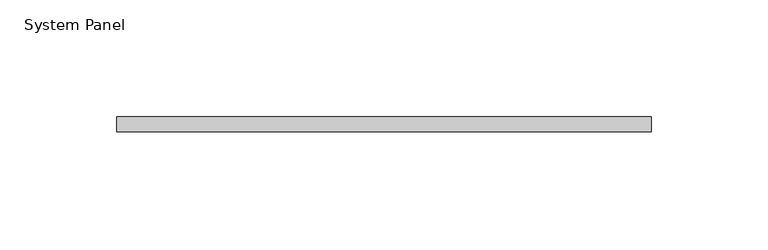
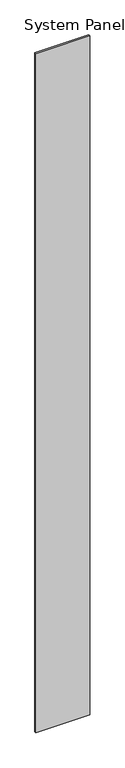
"""IFC4 building model written with IfcOpenShell, lengths in millimetres: plate geometry, System Panel."""

from ifc_helpers import new_model, si_unit, origin, origin_with_axes, place, context, project, spatial, polyline, outline, extrude, source, transform, mapped, element, save


def system_panel_629800e9(model_context):
    return source(origin(), model_context, "Body", "SweptSolid", [
        extrude(outline(polyline([(114.3, 0.0), (-114.3, 0.0), (-114.3, 6.35), (114.3, 6.35), (114.3, 0.0)])), origin_with_axes(), (0.0, 0.0, 1.0), 3048.0),
    ])


if __name__ == "__main__":
    model = new_model("IFC4")
    model_context = context("Model", 3, world=origin())
    ifc_project = project(units=[si_unit("LENGTHUNIT", "METRE", prefix="MILLI")], contexts=[model_context])
    site = spatial("IfcSite", under=ifc_project)
    building = spatial("IfcBuilding", under=site)
    placement = place(None, origin())
    system_panel_shape = system_panel_629800e9(model_context)
    element("IfcPlate", 1, ObjectType="System Panel", at=placement, inside=building, context=model_context, shape_type="MappedRepresentation", body=[
        mapped(system_panel_shape, transform((0.0, 0.0, 0.0), x_axis=(1.0, 0.0, 0.0), y_axis=(0.0, 1.0, 0.0), z_axis=(0.0, 0.0, 1.0))),
    ])
    save(model, "model.ifc")
